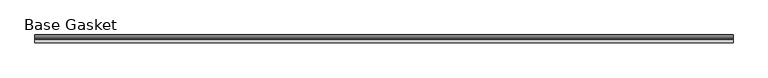
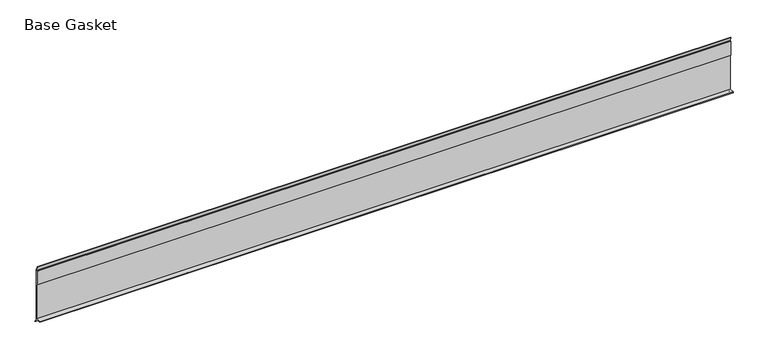
"""IFC4 building model written with IfcOpenShell, lengths in millimetres: furniture geometry, Base Gasket."""

from ifc_helpers import new_model, si_unit, frame, origin, place, context, project, spatial, polyline, outline, extrude, source, transform, mapped, element, save


def base_gasket_4e19b224(model_context):
    return source(origin(), model_context, "Body", "SweptSolid", [
        extrude(outline(polyline([(3.7283812, 98.4568417), (3.7283812, 4.3498477), (7.4222115, 0.6560174), (7.8482342, 0.0), (6.8281054, 0.3520979), (2.2043812, 4.3498477), (2.1334222, 6.3818476), (-6.2405171, 6.3818476), (-6.2405171, 7.9398773), (2.2043812, 7.9398773), (2.2043812, 71.4693447), (1.4106313, 71.4693447), (1.4106313, 96.8693477), (2.2043812, 96.8693477), (2.2043812, 98.4568417), (0.6755308, 104.4162708), (0.6755308, 105.2002997), (1.1891543, 104.587663), (3.7283812, 98.4568417)])), frame((-1527.8982117, 0.0, 0.0), z_axis=(1.0, 0.0, 0.0), x_axis=(0.0, 1.0, 0.0)), (0.0, 0.0, 1.0), 1219.2),
    ])


if __name__ == "__main__":
    model = new_model("IFC4")
    model_context = context("Model", 3, world=origin())
    ifc_project = project(units=[si_unit("LENGTHUNIT", "METRE", prefix="MILLI")], contexts=[model_context])
    site = spatial("IfcSite", under=ifc_project)
    building = spatial("IfcBuilding", under=site)
    placement = place(None, origin())
    base_gasket_shape = base_gasket_4e19b224(model_context)
    element("IfcFurniture", 1, ObjectType="Base Gasket", at=placement, inside=building, context=model_context, shape_type="MappedRepresentation", body=[
        mapped(base_gasket_shape, transform((0.0, 0.0, 0.0), x_axis=(1.0, 0.0, 0.0), y_axis=(0.0, 1.0, 0.0), z_axis=(0.0, 0.0, 1.0))),
    ])
    save(model, "model.ifc")
